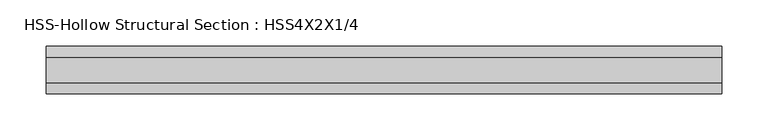
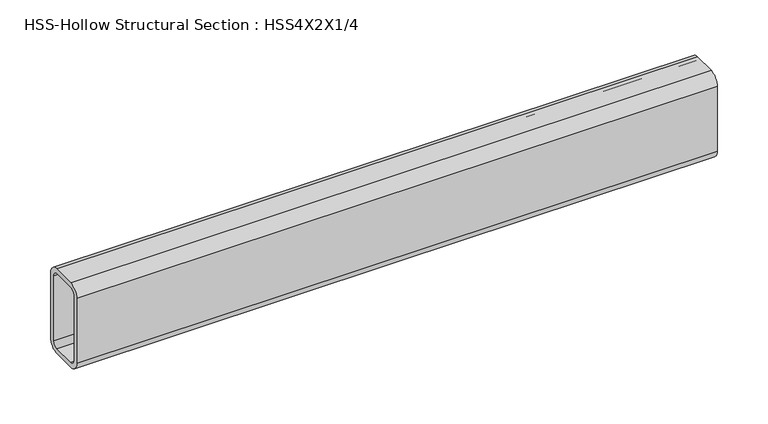
"""IFC4 building model written with IfcOpenShell, lengths in millimetres: beam geometry, HSS-Hollow Structural Section : HSS4X2X1/4."""

from ifc_helpers import new_model, si_unit, point, frame, frame_2d, origin, place, context, project, spatial, polyline, circle_curve, trimmed, segment, composite_curve, outline, extrude, source, transform, mapped, element, save


def hss_hollow_structural_section_hss4x2x1_4_2b788b5f(model_context):
    return source(origin(), model_context, "Body", "SweptSolid", [
        extrude(outline(composite_curve([segment(polyline([(25.4, 38.9636), (25.4, -38.9636)]), True, "CONTINUOUS"), segment(trimmed(circle_curve(frame_2d((13.5636, -38.9636)), 11.8364), [point((25.4, -38.9636))], [point((13.5636, -50.8))], False, "CARTESIAN"), True, "CONTINUOUS"), segment(polyline([(13.5636, -50.8), (-13.5636, -50.8)]), True, "CONTINUOUS"), segment(trimmed(circle_curve(frame_2d((-13.5636, -38.9636)), 11.8364), [point((-13.5636, -50.8))], [point((-25.4, -38.9636))], False, "CARTESIAN"), True, "CONTINUOUS"), segment(polyline([(-25.4, -38.9636), (-25.4, 38.9636)]), True, "CONTINUOUS"), segment(trimmed(circle_curve(frame_2d((-13.5636, 38.9636)), 11.8364), [point((-25.4, 38.9636))], [point((-13.5636, 50.8))], False, "CARTESIAN"), True, "CONTINUOUS"), segment(polyline([(-13.5636, 50.8), (13.5636, 50.8)]), True, "CONTINUOUS"), segment(trimmed(circle_curve(frame_2d((13.5636, 38.9636)), 11.8364), [point((13.5636, 50.8))], [point((25.4, 38.9636))], False, "CARTESIAN"), True, "CONTINUOUS")], self_intersect=False), holes=[composite_curve([segment(trimmed(circle_curve(frame_2d((-13.5636, 38.9636)), 5.9182), [point((-13.5636, 44.8818))], [point((-19.4818, 38.9636))], True, "CARTESIAN"), True, "CONTINUOUS"), segment(polyline([(-19.4818, 38.9636), (-19.4818, -38.9636)]), True, "CONTINUOUS"), segment(trimmed(circle_curve(frame_2d((-13.5636, -38.9636)), 5.9182), [point((-19.4818, -38.9636))], [point((-13.5636, -44.8818))], True, "CARTESIAN"), True, "CONTINUOUS"), segment(polyline([(-13.5636, -44.8818), (13.5636, -44.8818)]), True, "CONTINUOUS"), segment(trimmed(circle_curve(frame_2d((13.5636, -38.9636)), 5.9182), [point((13.5636, -44.8818))], [point((19.4818, -38.9636))], True, "CARTESIAN"), True, "CONTINUOUS"), segment(polyline([(19.4818, -38.9636), (19.4818, 38.9636)]), True, "CONTINUOUS"), segment(trimmed(circle_curve(frame_2d((13.5636, 38.9636)), 5.9182), [point((19.4818, 38.9636))], [point((13.5636, 44.8818))], True, "CARTESIAN"), True, "CONTINUOUS"), segment(polyline([(13.5636, 44.8818), (-13.5636, 44.8818)]), True, "CONTINUOUS")], self_intersect=False)]), frame((-352.2345, 0.0, 0.0), z_axis=(1.0, 0.0, 0.0), x_axis=(0.0, 1.0, 0.0)), (0.0, 0.0, 1.0), 727.8148899),
    ])


if __name__ == "__main__":
    model = new_model("IFC4")
    model_context = context("Model", 3, world=origin())
    ifc_project = project(units=[si_unit("LENGTHUNIT", "METRE", prefix="MILLI")], contexts=[model_context])
    site = spatial("IfcSite", under=ifc_project)
    building = spatial("IfcBuilding", under=site)
    placement = place(None, origin())
    hss_hollow_structural_section_hss4x2x1_4_shape = hss_hollow_structural_section_hss4x2x1_4_2b788b5f(model_context)
    element("IfcBeam", 1, ObjectType="HSS-Hollow Structural Section : HSS4X2X1/4", at=placement, inside=building, context=model_context, shape_type="MappedRepresentation", body=[
        mapped(hss_hollow_structural_section_hss4x2x1_4_shape, transform((0.0, 0.0, 0.0), x_axis=(1.0, 0.0, 0.0), y_axis=(0.0, 1.0, 0.0), z_axis=(0.0, 0.0, 1.0))),
    ])
    save(model, "model.ifc")
